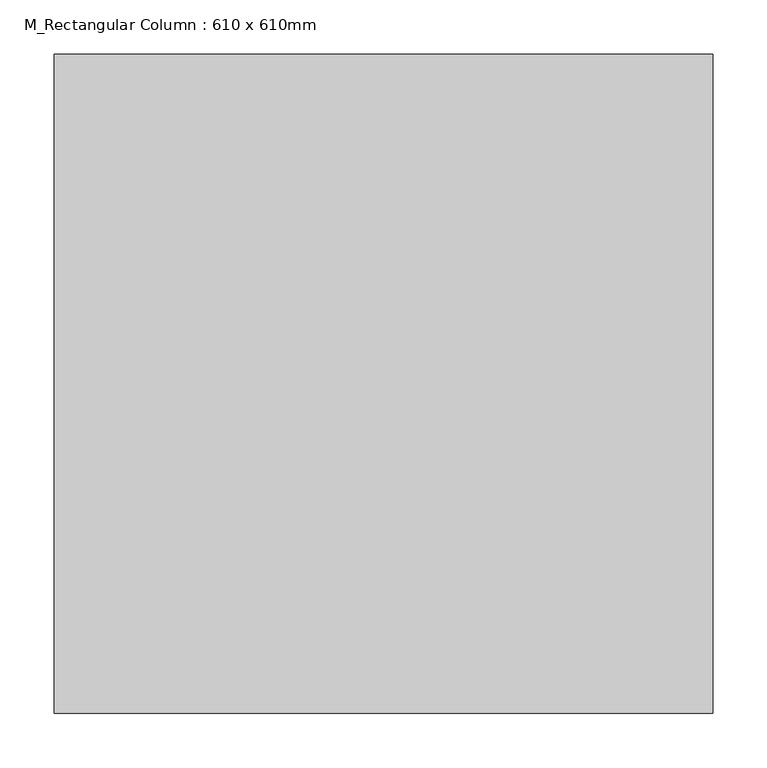
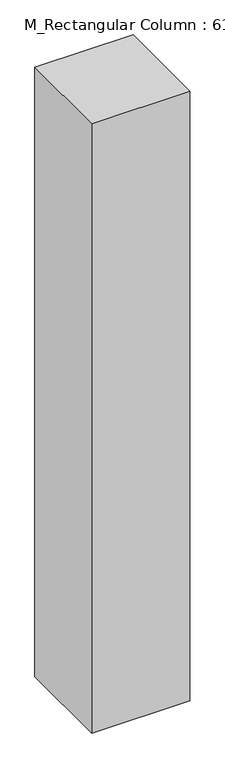
"""IFC4 building model written with IfcOpenShell, lengths in millimetres: column geometry, M_Rectangular Column : 610 x 610mm."""

from ifc_helpers import new_model, si_unit, frame, origin, place, context, project, spatial, polyline, outline, extrude, source, transform, mapped, element, save


def m_rectangular_column_610_x_610mm_2aeb49cb(model_context):
    return source(origin(), model_context, "Body", "SweptSolid", [
        extrude(outline(polyline([(305.0, 305.0), (305.0, -305.0), (-305.0, -305.0), (-305.0, 305.0), (305.0, 305.0)])), frame((0.0, 0.0, 4000.0), z_axis=(0.0, 0.0, 1.0), x_axis=(1.0, 0.0, 0.0)), (0.0, 0.0, 1.0), 4000.0),
    ])


if __name__ == "__main__":
    model = new_model("IFC4")
    model_context = context("Model", 3, world=origin())
    ifc_project = project(units=[si_unit("LENGTHUNIT", "METRE", prefix="MILLI")], contexts=[model_context])
    site = spatial("IfcSite", under=ifc_project)
    building = spatial("IfcBuilding", under=site)
    placement = place(None, origin())
    m_rectangular_column_610_x_610mm_shape = m_rectangular_column_610_x_610mm_2aeb49cb(model_context)
    element("IfcColumn", 1, ObjectType="M_Rectangular Column : 610 x 610mm", at=placement, inside=building, context=model_context, shape_type="MappedRepresentation", body=[
        mapped(m_rectangular_column_610_x_610mm_shape, transform((0.0, 0.0, 0.0), x_axis=(1.0, 0.0, 0.0), y_axis=(0.0, 1.0, 0.0), z_axis=(0.0, 0.0, 1.0))),
    ])
    save(model, "model.ifc")
